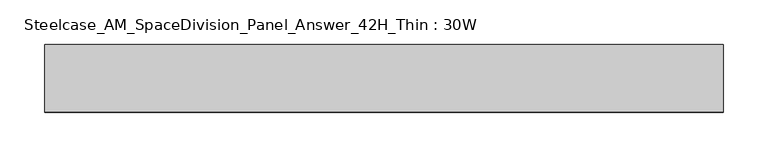
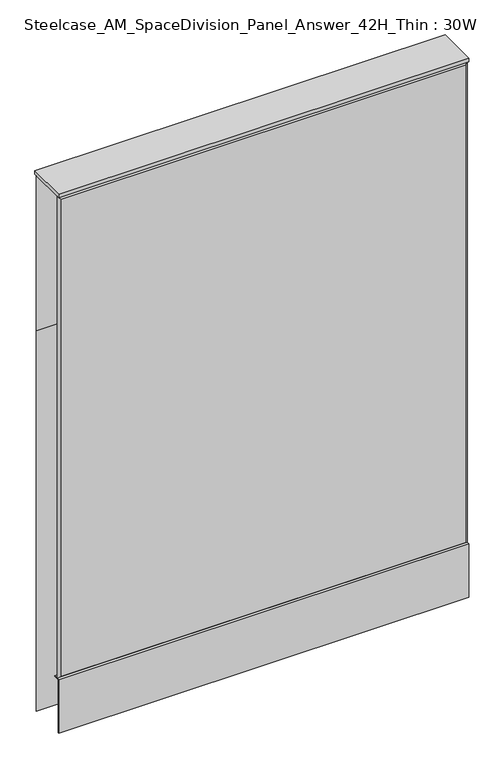
"""IFC4 building model written with IfcOpenShell, lengths in millimetres: furniture geometry, Steelcase_AM_SpaceDivision_Panel_Answer_42H_Thin : 30W."""

from ifc_helpers import new_model, si_unit, frame, origin, place, context, project, spatial, polyline, outline, extrude, faceted_brep, source, transform, mapped, element, save


def steelcase_am_spacedivision_panel_answer_42h_thin_30w_980bec28(model_context):
    return source(origin(), model_context, "Body", "SolidModel", [
        extrude(outline(polyline([(-37.3075215, 119.8575157), (-37.3075215, 15.494), (-38.1000194, 15.494), (-38.1000194, 120.65), (-25.4000011, 120.65), (-25.4000011, 119.8575157), (-37.3075215, 119.8575157)])), frame((-381.0, 0.0, 0.0), z_axis=(1.0, 0.0, 0.0), x_axis=(0.0, 1.0, 0.0)), (0.0, 0.0, 1.0), 762.0),
        faceted_brep([(-376.174, 38.0960541, 1061.974), (376.174, 38.0960541, 1061.974), (376.174, 38.0960541, 766.826), (-376.174, 38.0960541, 766.826), (-381.0, 33.2700541, 1066.8), (-381.0, 33.2700541, 762.0), (381.0, 33.2700541, 762.0), (381.0, 33.2700541, 1066.8)], [[[0, 1, 2, 3]], [[4, 5, 6, 7]], [[4, 7, 1, 0]], [[7, 6, 2, 1]], [[6, 5, 3, 2]], [[5, 4, 0, 3]]]),
        faceted_brep([(-376.174, 38.0960541, 757.174), (376.174, 38.0960541, 757.174), (376.174, 38.0960541, 20.32), (-376.174, 38.0960541, 20.32), (-381.0, 33.2700541, 762.0), (-381.0, 33.2700541, 15.494), (381.0, 33.2700541, 15.494), (381.0, 33.2700541, 762.0)], [[[0, 1, 2, 3]], [[4, 5, 6, 7]], [[4, 7, 1, 0]], [[7, 6, 2, 1]], [[6, 5, 3, 2]], [[5, 4, 0, 3]]]),
        faceted_brep([(381.0, -33.2700541, 1066.8), (381.0, -33.2700541, 120.65), (-381.0, -33.2700541, 120.65), (-381.0, -33.2700541, 1066.8), (-376.174, -38.0960541, 1061.974), (376.174, -38.0960541, 1061.974), (-376.174, -38.0960541, 125.476), (376.174, -38.0960541, 125.476)], [[[0, 1, 2, 3]], [[0, 3, 4, 5]], [[5, 4, 6, 7]], [[3, 2, 6, 4]], [[2, 1, 7, 6]], [[1, 0, 5, 7]]]),
        extrude(outline(polyline([(381.0, 38.1000194), (381.0, -38.1000194), (-381.0, -38.1000194), (-381.0, 38.1000194), (381.0, 38.1000194)])), frame((0.0, 0.0, 1066.8), z_axis=(0.0, 0.0, 1.0), x_axis=(1.0, 0.0, 0.0)), (0.0, 0.0, 1.0), 6.35),
    ])


if __name__ == "__main__":
    model = new_model("IFC4")
    model_context = context("Model", 3, world=origin())
    ifc_project = project(units=[si_unit("LENGTHUNIT", "METRE", prefix="MILLI")], contexts=[model_context])
    site = spatial("IfcSite", under=ifc_project)
    building = spatial("IfcBuilding", under=site)
    placement = place(None, origin())
    steelcase_am_spacedivision_panel_answer_42h_thin_30w_shape = steelcase_am_spacedivision_panel_answer_42h_thin_30w_980bec28(model_context)
    element("IfcFurniture", 1, ObjectType="Steelcase_AM_SpaceDivision_Panel_Answer_42H_Thin : 30W", at=placement, inside=building, context=model_context, shape_type="MappedRepresentation", body=[
        mapped(steelcase_am_spacedivision_panel_answer_42h_thin_30w_shape, transform((0.0, 0.0, 0.0), x_axis=(1.0, 0.0, 0.0), y_axis=(0.0, 1.0, 0.0), z_axis=(0.0, 0.0, 1.0))),
    ])
    save(model, "model.ifc")
